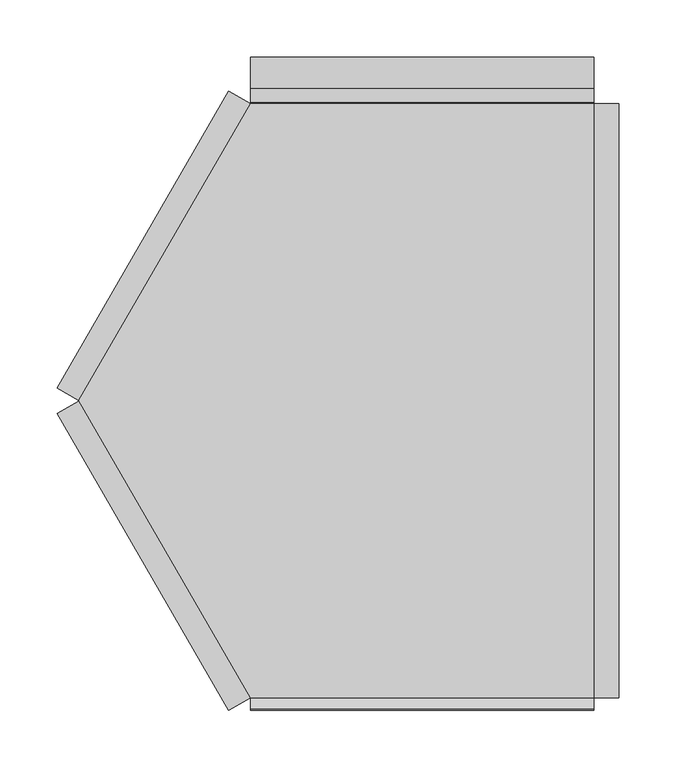
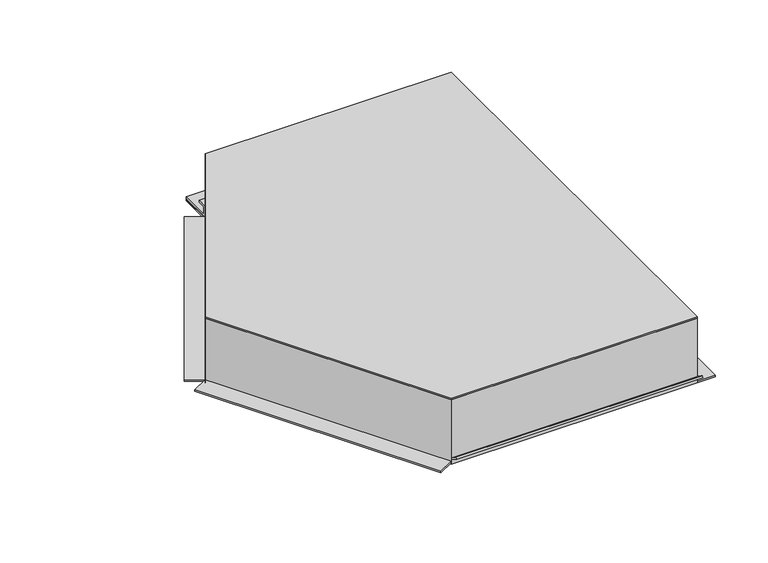
"""IFC4 building model written with IfcOpenShell, lengths in millimetres: proxy geometry."""

import ifcopenshell
import ifcopenshell.guid

model = None  # the IFC model being written
_history = None  # IfcOwnerHistory: only IFC2X3 demands one
_inside = {}  # id of a spatial element -> (the spatial element, [elements in it])
_under = {}  # id of a project, library or spatial element -> (it, [spatial elements below it])
_declared = {}  # id of a project -> (the project, [libraries it declares])
_typed = {}  # id of a type object -> (the type object, [elements of that type])
_made_of = {}  # id of a material, layer set ... -> (it, [elements and type objects made of it])


def new_model(schema):
    """Start an empty IFC model of exactly this schema.

    Asked for "IFC4X3", IfcOpenShell would pick the latest addendum, in which some entities
    have other attributes; the version numbers below select the first issue.
    IFC2X3 requires an IfcOwnerHistory on every rooted entity: one is made here for all.
    """
    global model, _history
    if schema == "IFC4X3":
        model = ifcopenshell.file(schema_version=(4, 3, 0, 0))
    else:
        model = ifcopenshell.file(schema=schema)
    _inside.clear()
    _under.clear()
    _declared.clear()
    _typed.clear()
    _made_of.clear()
    _history = None
    if model.schema == "IFC2X3":
        org = make("IfcOrganization", Name="unknown")
        user = make(
            "IfcPersonAndOrganization",
            ThePerson=make("IfcPerson", FamilyName="unknown"),
            TheOrganization=org,
        )
        app = make(
            "IfcApplication",
            ApplicationDeveloper=org,
            Version="unknown",
            ApplicationFullName="unknown",
            ApplicationIdentifier="unknown",
        )
        _history = make(
            "IfcOwnerHistory",
            OwningUser=user,
            OwningApplication=app,
            ChangeAction="ADDED",
            CreationDate=0,
        )
    return model


def make(cls, **values):
    """One entity of the class cls with the attributes given. An attribute that is None is left unset."""
    return model.create_entity(
        cls, **{name: value for name, value in values.items() if value is not None}
    )


def rooted(cls, **values):
    """An entity with a GlobalId (a new one), such as an element, a storey or a relation."""
    return make(cls, GlobalId=ifcopenshell.guid.new(), OwnerHistory=_history, **values)


def si_unit(unit_type, name, prefix=None):
    """IfcSIUnit, for example si_unit("LENGTHUNIT", "METRE", prefix="MILLI")."""
    return make("IfcSIUnit", UnitType=unit_type, Prefix=prefix, Name=name)


def assignment(units):
    """IfcUnitAssignment: the units of a project."""
    return None if units is None else make("IfcUnitAssignment", Units=units)


def point(xyz):
    """IfcCartesianPoint."""
    return None if xyz is None else make("IfcCartesianPoint", Coordinates=xyz)


def direction(xyz):
    """IfcDirection."""
    return None if xyz is None else make("IfcDirection", DirectionRatios=xyz)


def frame(location, z_axis=None, x_axis=None):
    """IfcAxis2Placement3D, a coordinate frame: its origin and axes. An axis left out is left unset."""
    return make(
        "IfcAxis2Placement3D",
        Location=point(location),
        Axis=direction(z_axis),
        RefDirection=direction(x_axis),
    )


def origin():
    """The frame at (0, 0, 0) with its axes left unset."""
    return frame((0.0, 0.0, 0.0))


def origin_with_axes():
    """The frame at (0, 0, 0) with the z axis (0, 0, 1) and the x axis (1, 0, 0) written out."""
    return frame((0.0, 0.0, 0.0), z_axis=(0.0, 0.0, 1.0), x_axis=(1.0, 0.0, 0.0))


def place(relative_to, where):
    """IfcLocalPlacement: puts the frame where relative to a parent placement (None: the world)."""
    return make(
        "IfcLocalPlacement", PlacementRelTo=relative_to, RelativePlacement=where
    )


def context(
    kind, dimensions, precision=None, world=None, true_north=None, identifier=None
):
    """IfcGeometricRepresentationContext, for example the 3D "Model" context."""
    return make(
        "IfcGeometricRepresentationContext",
        ContextIdentifier=identifier,
        ContextType=kind,
        CoordinateSpaceDimension=dimensions,
        Precision=precision,
        WorldCoordinateSystem=world,
        TrueNorth=true_north,
    )


def project(units=None, contexts=None):
    """IfcProject with its units and contexts."""
    return rooted(
        "IfcProject",
        Name="project",
        RepresentationContexts=contexts,
        UnitsInContext=assignment(units),
    )


def spatial(cls, under=None, at=None, **own):
    """A site, building, storey or space (cls), placed at a placement, below another one or the project."""
    s = rooted(cls, ObjectPlacement=at, **own)
    if under is not None:
        _under.setdefault(under.id(), (under, []))[1].append(s)
    return s


def polyline(points):
    """IfcPolyline through the points."""
    return make("IfcPolyline", Points=[point(p) for p in points])


def outline(outer, holes=None, kind="AREA"):
    """IfcArbitraryClosedProfileDef: a profile drawn as a closed curve; with holes, ...WithVoids."""
    if holes is None:
        return make("IfcArbitraryClosedProfileDef", ProfileType=kind, OuterCurve=outer)
    return make(
        "IfcArbitraryProfileDefWithVoids",
        ProfileType=kind,
        OuterCurve=outer,
        InnerCurves=holes,
    )


def extrude(swept, where, along, depth):
    """IfcExtrudedAreaSolid: the profile swept, set in the frame where, extruded along a direction by depth."""
    return make(
        "IfcExtrudedAreaSolid",
        SweptArea=swept,
        Position=where,
        ExtrudedDirection=direction(along),
        Depth=depth,
    )


def shape(context_of_items, identifier, shape_type, items):
    """IfcShapeRepresentation: the items that make up one representation, for example the "Body"."""
    return make(
        "IfcShapeRepresentation",
        ContextOfItems=context_of_items,
        RepresentationIdentifier=identifier,
        RepresentationType=shape_type,
        Items=items,
    )


def source(mapping_origin, context_of_items, identifier, shape_type, items):
    """IfcRepresentationMap: a shape defined once, which mapped items show again and again."""
    return make(
        "IfcRepresentationMap",
        MappingOrigin=mapping_origin,
        MappedRepresentation=shape(context_of_items, identifier, shape_type, items),
    )


def transform(
    local_origin,
    x_axis=None,
    y_axis=None,
    z_axis=None,
    scale=None,
    scale2=None,
    scale3=None,
    uniform=True,
):
    """IfcCartesianTransformationOperator3D, or its non-uniform kind. x_axis, y_axis, z_axis: its Axis1, 2, 3."""
    if uniform:
        return make(
            "IfcCartesianTransformationOperator3D",
            Axis1=direction(x_axis),
            Axis2=direction(y_axis),
            LocalOrigin=point(local_origin),
            Scale=scale,
            Axis3=direction(z_axis),
        )
    return make(
        "IfcCartesianTransformationOperator3DnonUniform",
        Axis1=direction(x_axis),
        Axis2=direction(y_axis),
        LocalOrigin=point(local_origin),
        Scale=scale,
        Axis3=direction(z_axis),
        Scale2=scale2,
        Scale3=scale3,
    )


def mapped(mapping_source, mapping_target):
    """IfcMappedItem: shows the shape of a source again, moved by a transform."""
    return make(
        "IfcMappedItem", MappingSource=mapping_source, MappingTarget=mapping_target
    )


def made_of(thing, what):
    """Note that an element or type object is made of a material, layer set ...; save() writes the relation."""
    if what is not None:
        _made_of.setdefault(what.id(), (what, []))[1].append(thing)
    return thing


def element(
    cls,
    number,
    at=None,
    inside=None,
    cuts=None,
    type_object=None,
    material=None,
    context=None,
    identifier="Body",
    shape_type=None,
    held_by="IfcProductDefinitionShape",
    body=None,
    shapes=None,
    **own,
):
    """One element of the class cls, such as IfcWall. Its Tag is "e" and its number.

    at: its placement. inside: the storey or other place that contains it. cuts: it is an
    opening in that element (IfcRelVoidsElement). A single representation is given by context,
    identifier, shape_type and body (its items); several are given by shapes. held_by: the class
    of the entity that holds the representations. save() writes the other relations.
    """
    e = rooted(cls, Tag="e%d" % number, ObjectPlacement=at, **own)
    if body is not None:
        shapes = [shape(context, identifier, shape_type, body)]
    if shapes is not None:
        e.Representation = make(held_by, Representations=shapes)
    if inside is not None:
        _inside.setdefault(inside.id(), (inside, []))[1].append(e)
    if cuts is not None:
        rooted(
            "IfcRelVoidsElement", RelatingBuildingElement=cuts, RelatedOpeningElement=e
        )
    if type_object is not None:
        _typed.setdefault(type_object.id(), (type_object, []))[1].append(e)
    return made_of(e, material)


def aggregate(whole, parts):
    """IfcRelAggregates: a whole, such as a stair, and the parts it consists of."""
    return rooted("IfcRelAggregates", RelatingObject=whole, RelatedObjects=parts)


def save(model, path):
    """Write the relations noted so far, then the file.

    IfcRelAggregates (storeys below a building ...), IfcRelContainedInSpatialStructure (elements
    in a storey), IfcRelDefinesByType, IfcRelAssociatesMaterial and IfcRelDeclares: one each for
    every whole, place, type object, material and project.
    """
    for whole, parts in _under.values():
        aggregate(whole, parts)
    for where, things in _inside.values():
        rooted(
            "IfcRelContainedInSpatialStructure",
            RelatedElements=things,
            RelatingStructure=where,
        )
    for kind, things in _typed.values():
        rooted("IfcRelDefinesByType", RelatedObjects=things, RelatingType=kind)
    for what, things in _made_of.values():
        rooted("IfcRelAssociatesMaterial", RelatedObjects=things, RelatingMaterial=what)
    for by, libraries in _declared.values():
        rooted("IfcRelDeclares", RelatingContext=by, RelatedDefinitions=libraries)
    model.write(path)


def generic_models_24bea36a(model_context):
    return source(origin(), model_context, "Body", "SweptSolid", [
        extrude(outline(polyline([(-300.22, 260.1279435), (0.0, 260.1279435), (0.0, -259.8720565), (-300.22, -259.8720565), (-450.33, 0.1279435), (-300.22, 260.1279435)])), origin_with_axes(), (0.0, 0.0, 1.0), 83.0),
        extrude(outline(polyline([(-78.8, 0.0), (0.0, 0.0), (0.0, 22.0), (2.0, 22.0), (2.0, 0.0), (2.0, -2.0), (-78.8, -2.0), (-78.8, 0.0)])), frame((-300.221605, -259.8692766, 4.2), z_axis=(-0.49999732699885757, 0.8660269470368677, 0.0), x_axis=(0.0, 0.0, -1.0)), (0.0, 0.0, 1.0), 300.0),
        extrude(outline(polyline([(-78.8, 0.0), (0.0, 0.0), (0.0, 22.0), (2.0, 22.0), (2.0, 0.0), (2.0, -2.0), (-78.8, -2.0), (-78.8, 0.0)])), frame((-450.331605, 0.1251636, 4.2), z_axis=(0.49999732699885974, 0.8660269470368664, 0.0), x_axis=(0.0, 0.0, -1.0)), (0.0, 0.0, 1.0), 300.0),
        extrude(outline(polyline([(258.1279435, 83.0), (260.1279435, 83.0), (260.1279435, 2.0), (298.6279435, 2.0), (298.6279435, 3.0), (261.1279435, 3.0), (261.1279435, 17.1), (272.9279435, 17.1), (272.9279435, 15.1), (263.1279435, 15.1), (263.1279435, 5.0), (300.6279435, 5.0), (300.6279435, 0.0), (258.1279435, 0.0), (258.1279435, 83.0)])), frame((-300.22, 0.0, 0.0), z_axis=(1.0, 0.0, 0.0), x_axis=(0.0, 1.0, 0.0)), (0.0, 0.0, 1.0), 300.22),
        extrude(outline(polyline([(-259.8720565, 8.1635024), (-259.8720565, 83.0), (-257.8720565, 83.0), (-257.8720565, 5.6), (-259.6980026, 5.6), (-270.8681718, 13.4221074), (-269.7209529, 15.0603652), (-259.8720565, 8.1635024)])), frame((-300.22, 0.0, 0.0), z_axis=(1.0, 0.0, 0.0), x_axis=(0.0, 1.0, 0.0)), (0.0, 0.0, 1.0), 300.22),
        extrude(outline(polyline([(-300.22, 260.1279435), (0.0, 260.1279435), (0.0, -259.8720565), (-300.22, -259.8720565), (-450.33, 0.1279435), (-300.22, 260.1279435)])), frame((0.0, 0.0, 83.0), z_axis=(0.0, 0.0, 1.0), x_axis=(1.0, 0.0, 0.0)), (0.0, 0.0, 1.0), 2.0),
        extrude(outline(polyline([(83.0, 0.0), (83.0, -2.0), (0.0, -2.0), (0.0, 0.0), (0.0, 22.0), (2.0, 22.0), (2.0, 0.0), (83.0, 0.0)])), frame((0.0, -259.8720565, 0.0), z_axis=(0.0, 1.0, 0.0), x_axis=(0.0, 0.0, 1.0)), (0.0, 0.0, 1.0), 520.0),
    ])


if __name__ == "__main__":
    model = new_model("IFC4")
    model_context = context("Model", 3, world=origin())
    ifc_project = project(units=[si_unit("LENGTHUNIT", "METRE", prefix="MILLI")], contexts=[model_context])
    site = spatial("IfcSite", under=ifc_project)
    building = spatial("IfcBuilding", under=site)
    placement = place(None, origin())
    generic_models_shape = generic_models_24bea36a(model_context)
    element("IfcBuildingElementProxy", 1, Name="Generic Models", at=placement, inside=building, context=model_context, shape_type="MappedRepresentation", body=[
        mapped(generic_models_shape, transform((0.0, 0.0, 0.0), x_axis=(1.0, 0.0, 0.0), y_axis=(0.0, 1.0, 0.0), z_axis=(0.0, 0.0, 1.0))),
    ])
    save(model, "model.ifc")
